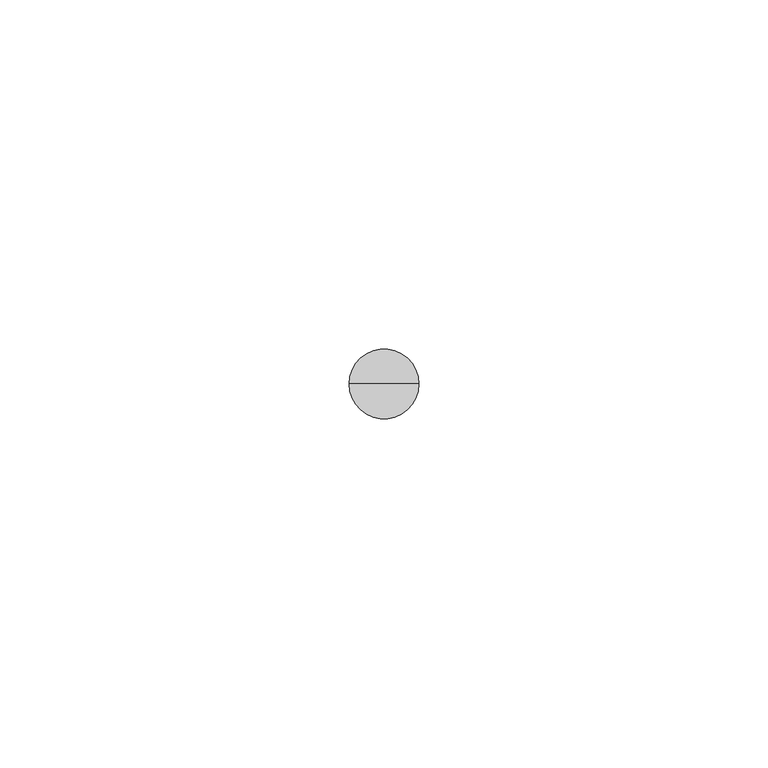
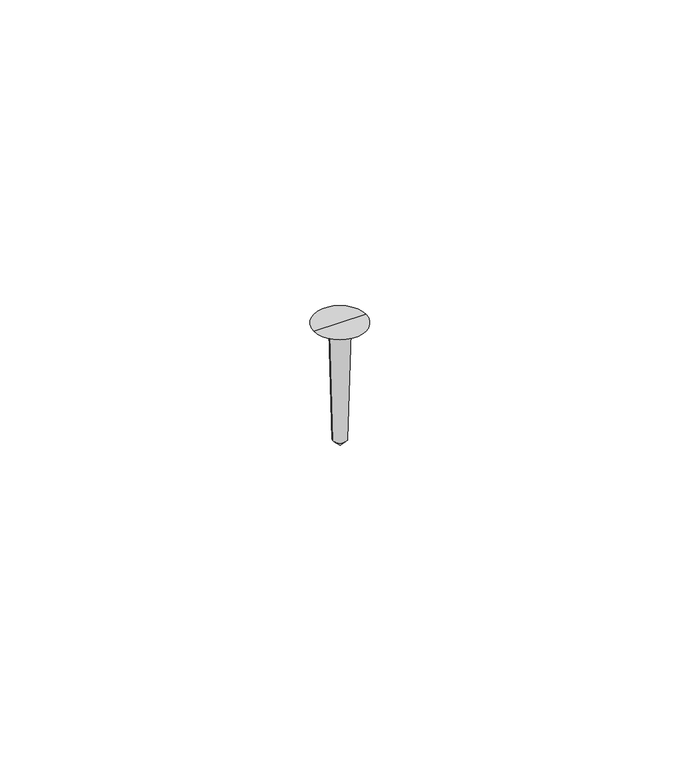
"""IFC4 building model written with IfcOpenShell, lengths in millimetres: proxy geometry."""

import ifcopenshell
import ifcopenshell.guid

model = None  # the IFC model being written
_history = None  # IfcOwnerHistory: only IFC2X3 demands one
_inside = {}  # id of a spatial element -> (the spatial element, [elements in it])
_under = {}  # id of a project, library or spatial element -> (it, [spatial elements below it])
_declared = {}  # id of a project -> (the project, [libraries it declares])
_typed = {}  # id of a type object -> (the type object, [elements of that type])
_made_of = {}  # id of a material, layer set ... -> (it, [elements and type objects made of it])


def new_model(schema):
    """Start an empty IFC model of exactly this schema.

    Asked for "IFC4X3", IfcOpenShell would pick the latest addendum, in which some entities
    have other attributes; the version numbers below select the first issue.
    IFC2X3 requires an IfcOwnerHistory on every rooted entity: one is made here for all.
    """
    global model, _history
    if schema == "IFC4X3":
        model = ifcopenshell.file(schema_version=(4, 3, 0, 0))
    else:
        model = ifcopenshell.file(schema=schema)
    _inside.clear()
    _under.clear()
    _declared.clear()
    _typed.clear()
    _made_of.clear()
    _history = None
    if model.schema == "IFC2X3":
        org = make("IfcOrganization", Name="unknown")
        user = make(
            "IfcPersonAndOrganization",
            ThePerson=make("IfcPerson", FamilyName="unknown"),
            TheOrganization=org,
        )
        app = make(
            "IfcApplication",
            ApplicationDeveloper=org,
            Version="unknown",
            ApplicationFullName="unknown",
            ApplicationIdentifier="unknown",
        )
        _history = make(
            "IfcOwnerHistory",
            OwningUser=user,
            OwningApplication=app,
            ChangeAction="ADDED",
            CreationDate=0,
        )
    return model


def make(cls, **values):
    """One entity of the class cls with the attributes given. An attribute that is None is left unset."""
    return model.create_entity(
        cls, **{name: value for name, value in values.items() if value is not None}
    )


def rooted(cls, **values):
    """An entity with a GlobalId (a new one), such as an element, a storey or a relation."""
    return make(cls, GlobalId=ifcopenshell.guid.new(), OwnerHistory=_history, **values)


def si_unit(unit_type, name, prefix=None):
    """IfcSIUnit, for example si_unit("LENGTHUNIT", "METRE", prefix="MILLI")."""
    return make("IfcSIUnit", UnitType=unit_type, Prefix=prefix, Name=name)


def assignment(units):
    """IfcUnitAssignment: the units of a project."""
    return None if units is None else make("IfcUnitAssignment", Units=units)


def point(xyz):
    """IfcCartesianPoint."""
    return None if xyz is None else make("IfcCartesianPoint", Coordinates=xyz)


def direction(xyz):
    """IfcDirection."""
    return None if xyz is None else make("IfcDirection", DirectionRatios=xyz)


def frame(location, z_axis=None, x_axis=None):
    """IfcAxis2Placement3D, a coordinate frame: its origin and axes. An axis left out is left unset."""
    return make(
        "IfcAxis2Placement3D",
        Location=point(location),
        Axis=direction(z_axis),
        RefDirection=direction(x_axis),
    )


def origin():
    """The frame at (0, 0, 0) with its axes left unset."""
    return frame((0.0, 0.0, 0.0))


def origin_with_axes():
    """The frame at (0, 0, 0) with the z axis (0, 0, 1) and the x axis (1, 0, 0) written out."""
    return frame((0.0, 0.0, 0.0), z_axis=(0.0, 0.0, 1.0), x_axis=(1.0, 0.0, 0.0))


def place(relative_to, where):
    """IfcLocalPlacement: puts the frame where relative to a parent placement (None: the world)."""
    return make(
        "IfcLocalPlacement", PlacementRelTo=relative_to, RelativePlacement=where
    )


def context(
    kind, dimensions, precision=None, world=None, true_north=None, identifier=None
):
    """IfcGeometricRepresentationContext, for example the 3D "Model" context."""
    return make(
        "IfcGeometricRepresentationContext",
        ContextIdentifier=identifier,
        ContextType=kind,
        CoordinateSpaceDimension=dimensions,
        Precision=precision,
        WorldCoordinateSystem=world,
        TrueNorth=true_north,
    )


def project(units=None, contexts=None):
    """IfcProject with its units and contexts."""
    return rooted(
        "IfcProject",
        Name="project",
        RepresentationContexts=contexts,
        UnitsInContext=assignment(units),
    )


def spatial(cls, under=None, at=None, **own):
    """A site, building, storey or space (cls), placed at a placement, below another one or the project."""
    s = rooted(cls, ObjectPlacement=at, **own)
    if under is not None:
        _under.setdefault(under.id(), (under, []))[1].append(s)
    return s


def polyline(points):
    """IfcPolyline through the points."""
    return make("IfcPolyline", Points=[point(p) for p in points])


def circle_curve(where, radius):
    """IfcCircle in the frame where."""
    return make("IfcCircle", Position=where, Radius=radius)


def shape(context_of_items, identifier, shape_type, items):
    """IfcShapeRepresentation: the items that make up one representation, for example the "Body"."""
    return make(
        "IfcShapeRepresentation",
        ContextOfItems=context_of_items,
        RepresentationIdentifier=identifier,
        RepresentationType=shape_type,
        Items=items,
    )


def source(mapping_origin, context_of_items, identifier, shape_type, items):
    """IfcRepresentationMap: a shape defined once, which mapped items show again and again."""
    return make(
        "IfcRepresentationMap",
        MappingOrigin=mapping_origin,
        MappedRepresentation=shape(context_of_items, identifier, shape_type, items),
    )


def transform(
    local_origin,
    x_axis=None,
    y_axis=None,
    z_axis=None,
    scale=None,
    scale2=None,
    scale3=None,
    uniform=True,
):
    """IfcCartesianTransformationOperator3D, or its non-uniform kind. x_axis, y_axis, z_axis: its Axis1, 2, 3."""
    if uniform:
        return make(
            "IfcCartesianTransformationOperator3D",
            Axis1=direction(x_axis),
            Axis2=direction(y_axis),
            LocalOrigin=point(local_origin),
            Scale=scale,
            Axis3=direction(z_axis),
        )
    return make(
        "IfcCartesianTransformationOperator3DnonUniform",
        Axis1=direction(x_axis),
        Axis2=direction(y_axis),
        LocalOrigin=point(local_origin),
        Scale=scale,
        Axis3=direction(z_axis),
        Scale2=scale2,
        Scale3=scale3,
    )


def mapped(mapping_source, mapping_target):
    """IfcMappedItem: shows the shape of a source again, moved by a transform."""
    return make(
        "IfcMappedItem", MappingSource=mapping_source, MappingTarget=mapping_target
    )


def made_of(thing, what):
    """Note that an element or type object is made of a material, layer set ...; save() writes the relation."""
    if what is not None:
        _made_of.setdefault(what.id(), (what, []))[1].append(thing)
    return thing


def element(
    cls,
    number,
    at=None,
    inside=None,
    cuts=None,
    type_object=None,
    material=None,
    context=None,
    identifier="Body",
    shape_type=None,
    held_by="IfcProductDefinitionShape",
    body=None,
    shapes=None,
    **own,
):
    """One element of the class cls, such as IfcWall. Its Tag is "e" and its number.

    at: its placement. inside: the storey or other place that contains it. cuts: it is an
    opening in that element (IfcRelVoidsElement). A single representation is given by context,
    identifier, shape_type and body (its items); several are given by shapes. held_by: the class
    of the entity that holds the representations. save() writes the other relations.
    """
    e = rooted(cls, Tag="e%d" % number, ObjectPlacement=at, **own)
    if body is not None:
        shapes = [shape(context, identifier, shape_type, body)]
    if shapes is not None:
        e.Representation = make(held_by, Representations=shapes)
    if inside is not None:
        _inside.setdefault(inside.id(), (inside, []))[1].append(e)
    if cuts is not None:
        rooted(
            "IfcRelVoidsElement", RelatingBuildingElement=cuts, RelatedOpeningElement=e
        )
    if type_object is not None:
        _typed.setdefault(type_object.id(), (type_object, []))[1].append(e)
    return made_of(e, material)


def aggregate(whole, parts):
    """IfcRelAggregates: a whole, such as a stair, and the parts it consists of."""
    return rooted("IfcRelAggregates", RelatingObject=whole, RelatedObjects=parts)


def save(model, path):
    """Write the relations noted so far, then the file.

    IfcRelAggregates (storeys below a building ...), IfcRelContainedInSpatialStructure (elements
    in a storey), IfcRelDefinesByType, IfcRelAssociatesMaterial and IfcRelDeclares: one each for
    every whole, place, type object, material and project.
    """
    for whole, parts in _under.values():
        aggregate(whole, parts)
    for where, things in _inside.values():
        rooted(
            "IfcRelContainedInSpatialStructure",
            RelatedElements=things,
            RelatingStructure=where,
        )
    for kind, things in _typed.values():
        rooted("IfcRelDefinesByType", RelatedObjects=things, RelatingType=kind)
    for what, things in _made_of.values():
        rooted("IfcRelAssociatesMaterial", RelatedObjects=things, RelatingMaterial=what)
    for by, libraries in _declared.values():
        rooted("IfcRelDeclares", RelatingContext=by, RelatedDefinitions=libraries)
    model.write(path)


def plane_surface(at):
    """IfcPlane: the flat surface through the origin of the frame at, square to its z axis."""
    return make("IfcPlane", Position=at)


def revolved_surface(curve, axis_point, axis_direction):
    """IfcSurfaceOfRevolution: the curve turned about the line through axis_point along axis_direction."""
    return make(
        "IfcSurfaceOfRevolution",
        SweptCurve=make("IfcArbitraryOpenProfileDef", ProfileType="CURVE", Curve=curve),
        AxisPosition=make("IfcAxis1Placement", Location=point(axis_point), Axis=direction(axis_direction)),
    )


def advanced_brep(points, edges, surfaces, faces):
    """IfcAdvancedBrep: a solid bounded by faces that lie on surfaces and meet in shared edges.

    An edge is (start, end): straight between two places in points (the first is 0);
    or (start, end, curve); or (start, end, curve, False) where it runs against its curve.
    A face is (place in surfaces, loops), or (place, loops, False) where it looks against
    its surface's normal. A loop lists edges by number (the first is 1), with a minus sign
    where the edge is run from its end to its start. The first loop is the outer one.
    """
    corners = [point(p) for p in points]
    vertices = [make("IfcVertexPoint", VertexGeometry=c) for c in corners]
    made = []
    for start, end, *more in edges:
        made.append(
            make(
                "IfcEdgeCurve",
                EdgeStart=vertices[start],
                EdgeEnd=vertices[end],
                EdgeGeometry=more[0] if more else make("IfcPolyline", Points=[corners[start], corners[end]]),
                SameSense=more[1] if len(more) > 1 else True,
            )
        )
    hull = []
    for where, loops, *sense in faces:
        bounds = []
        for j, loop in enumerate(loops):
            ring = [make("IfcOrientedEdge", EdgeElement=made[abs(k) - 1], Orientation=k > 0) for k in loop]
            bounds.append(
                make(
                    "IfcFaceOuterBound" if j == 0 else "IfcFaceBound",
                    Bound=make("IfcEdgeLoop", EdgeList=ring),
                    Orientation=True,
                )
            )
        hull.append(make("IfcAdvancedFace", Bounds=bounds, FaceSurface=surfaces[where], SameSense=sense[0] if sense else True))
    return make("IfcAdvancedBrep", Outer=make("IfcClosedShell", CfsFaces=hull))


def generic_models_f1ef8202(model_context):
    return source(origin(), model_context, "Body", "AdvancedBrep", [
        advanced_brep(
        [(-5.0, 0.0, 0.0), (-1.865608, 0.0, -1.809642), (1.865608, 0.0, -1.809642), (5.0, 0.0, 0.0), (-1.3053271, 0.0, -23.6594235), (1.3053271, 0.0, -23.6594235), (0.0, 0.0, -25.0), (0.0, 0.0, 0.0)],
        [
            (0, 1),
            (1, 2, circle_curve(frame((0.0, 0.0, -1.809642), z_axis=(0.0, 0.0, 1.0), x_axis=(1.0, 0.0, 0.0)), 1.865608)),
            (2, 3),
            (3, 0, circle_curve(frame((0.0, 0.0, 0.0), z_axis=(0.0, 0.0, -1.0), x_axis=(1.0, 0.0, 0.0)), 5.0)),
            (2, 1, circle_curve(frame((0.0, 0.0, -1.809642), z_axis=(0.0, 0.0, 1.0), x_axis=(1.0, 0.0, 0.0)), 1.865608)),
            (0, 3, circle_curve(frame((0.0, 0.0, 0.0), z_axis=(0.0, 0.0, -1.0), x_axis=(1.0, 0.0, 0.0)), 5.0)),
            (1, 4),
            (4, 5, circle_curve(frame((0.0, 0.0, -23.6594235), z_axis=(0.0, 0.0, 1.0), x_axis=(1.0, 0.0, 0.0)), 1.3053271)),
            (5, 2),
            (5, 4, circle_curve(frame((0.0, 0.0, -23.6594235), z_axis=(0.0, 0.0, 1.0), x_axis=(1.0, 0.0, 0.0)), 1.3053271)),
            (4, 6),
            (6, 5),
            (7, 0),
            (3, 7),
        ],
        [
            revolved_surface(polyline([(1.865608, 0.0, -1.809642), (5.0, 0.0, 0.0)]), (0.0, 0.0, -1000.0), (0.0, 0.0, 1.0)),
            revolved_surface(polyline([(1.3053271, 0.0, -23.6594235), (1.865608, 0.0, -1.809642)]), (0.0, 0.0, -1000.0), (0.0, 0.0, 1.0)),
            revolved_surface(polyline([(0.0, 0.0, -25.0), (1.3053271, 0.0, -23.6594235)]), (0.0, 0.0, -1000.0), (0.0, 0.0, 1.0)),
            plane_surface(origin_with_axes()),
        ],
        [
            (0, [[1, 2, 3, 4]]),
            (0, [[-3, 5, -1, 6]]),
            (1, [[7, 8, 9, -2]]),
            (1, [[-9, 10, -7, -5]]),
            (2, [[11, 12, -8]]),
            (2, [[-12, -11, -10]]),
            (3, [[13, -4, 14]]),
            (3, [[-14, -6, -13]]),
        ],
    ),
    ])


if __name__ == "__main__":
    model = new_model("IFC4")
    model_context = context("Model", 3, world=origin())
    ifc_project = project(units=[si_unit("LENGTHUNIT", "METRE", prefix="MILLI")], contexts=[model_context])
    site = spatial("IfcSite", under=ifc_project)
    building = spatial("IfcBuilding", under=site)
    placement = place(None, origin())
    generic_models_shape = generic_models_f1ef8202(model_context)
    element("IfcBuildingElementProxy", 1, Name="Generic Models", at=placement, inside=building, context=model_context, shape_type="MappedRepresentation", body=[
        mapped(generic_models_shape, transform((0.0, 0.0, 0.0), x_axis=(1.0, 0.0, 0.0), y_axis=(0.0, 1.0, 0.0), z_axis=(0.0, 0.0, 1.0))),
    ])
    save(model, "model.ifc")
